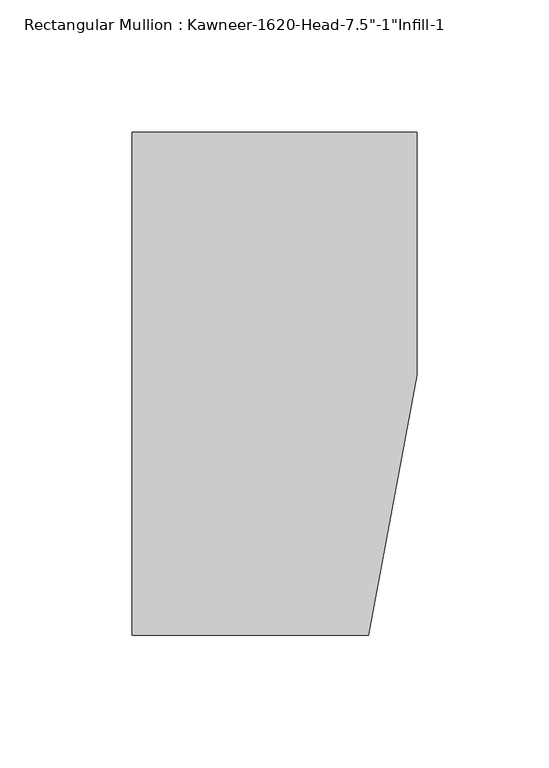
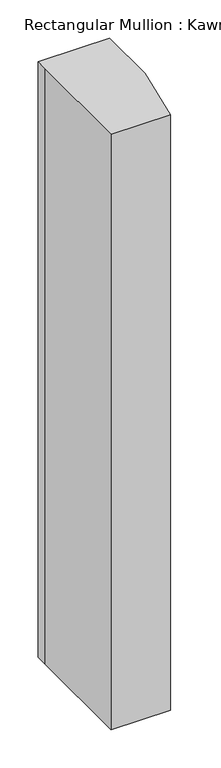
"""IFC4 building model written with IfcOpenShell, lengths in millimetres: member geometry."""

from ifc_helpers import new_model, si_unit, frame, origin, place, context, project, spatial, polyline, outline, extrude, source, transform, mapped, element, save


def member_ace94d33(model_context):
    return source(origin(), model_context, "Body", "SweptSolid", [
        extrude(outline(polyline([(-107.95, 19.9095466), (-107.95, 38.1), (-44.1519366, 38.1), (0.0, 38.1), (0.0, -53.975), (-18.3538271, -152.4), (-107.95, -152.4), (-107.95, 19.9095466)])), frame((0.0, 0.0, -949.4651949), z_axis=(0.0, 0.0, 1.0), x_axis=(1.0, 0.0, 0.0)), (0.0, 0.0, 1.0), 949.4651949),
    ])


if __name__ == "__main__":
    model = new_model("IFC4")
    model_context = context("Model", 3, world=origin())
    ifc_project = project(units=[si_unit("LENGTHUNIT", "METRE", prefix="MILLI")], contexts=[model_context])
    site = spatial("IfcSite", under=ifc_project)
    building = spatial("IfcBuilding", under=site)
    placement = place(None, origin())
    member_shape = member_ace94d33(model_context)
    element("IfcMember", 1, ObjectType="Rectangular Mullion : Kawneer-1620-Head-7.5\"-1\"Infill-1", at=placement, inside=building, context=model_context, shape_type="MappedRepresentation", body=[
        mapped(member_shape, transform((0.0, 0.0, 0.0), x_axis=(1.0, 0.0, 0.0), y_axis=(0.0, 1.0, 0.0), z_axis=(0.0, 0.0, 1.0))),
    ])
    save(model, "model.ifc")
